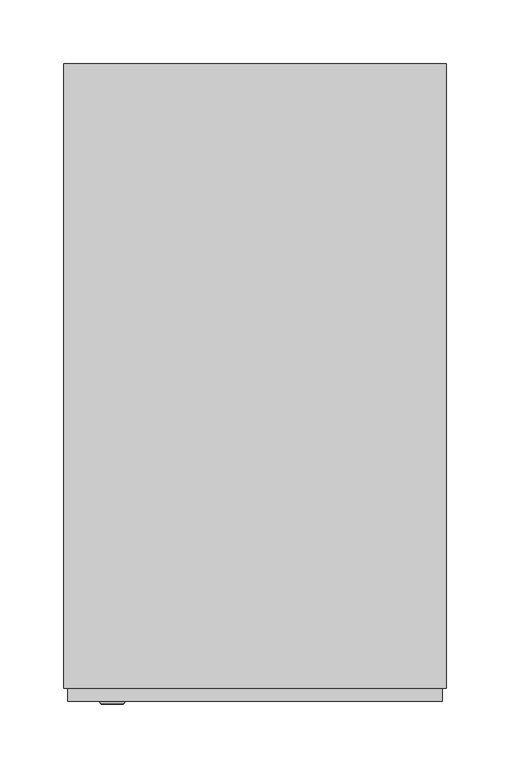
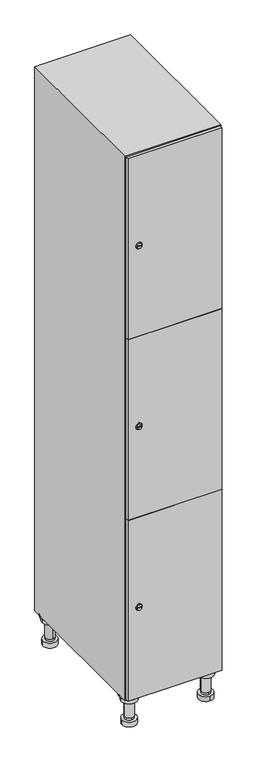
"""IFC4 building model written with IfcOpenShell, lengths in millimetres: furniture geometry."""

from ifc_helpers import new_model, si_unit, point, frame, frame_2d, origin, place, context, project, spatial, polyline, circle_curve, trimmed, segment, composite_curve, outline, extrude, faceted_brep, source, transform, mapped, element, save
from ifc_brep_helpers import plane_surface, cylinder_surface, revolved_surface, advanced_brep


def furniture_70ea9e6e(model_context):
    return source(origin(), model_context, "Body", "SolidModel", [
        advanced_brep(
        [(70.0, -201.0, 22.0), (70.0, -201.5, 16.0), (70.0, -228.5, 16.0), (70.0, -229.0, 22.0), (56.0, -215.0, 22.0), (84.0, -215.0, 22.0), (70.0, -192.5, 16.0), (70.0, -237.5, 16.0), (70.0, -192.5, 0.0), (70.0, -237.5, 0.0), (84.0, -215.0, 78.0), (56.0, -215.0, 78.0), (95.0, -215.0, 78.0), (45.0, -215.0, 78.0), (100.0, -215.0, 94.0), (40.0, -215.0, 94.0), (45.0, -215.0, 94.0), (95.0, -215.0, 94.0), (100.0, -215.0, 100.0), (40.0, -215.0, 100.0)],
        [
            (0, 1),
            (1, 2, circle_curve(frame((70.0, -215.0, 16.0), z_axis=(0.0, 0.0, 1.0), x_axis=(0.0, -1.0, 0.0)), 13.5)),
            (2, 3),
            (3, 4, circle_curve(frame((70.0, -215.0, 22.0), z_axis=(0.0, 0.0, -1.0), x_axis=(0.0, -1.0, 0.0)), 14.0)),
            (4, 0, circle_curve(frame((70.0, -215.0, 22.0), z_axis=(0.0, 0.0, -1.0), x_axis=(0.0, -1.0, 0.0)), 14.0)),
            (0, 5, circle_curve(frame((70.0, -215.0, 22.0), z_axis=(0.0, 0.0, -1.0), x_axis=(0.0, 1.0, 0.0)), 14.0)),
            (5, 3, circle_curve(frame((70.0, -215.0, 22.0), z_axis=(0.0, 0.0, -1.0), x_axis=(0.0, 1.0, 0.0)), 14.0)),
            (2, 1, circle_curve(frame((70.0, -215.0, 16.0), z_axis=(0.0, 0.0, 1.0), x_axis=(0.0, 1.0, 0.0)), 13.5)),
            (6, 7, circle_curve(frame((70.0, -215.0, 16.0), z_axis=(0.0, 0.0, 1.0), x_axis=(0.0, -1.0, 0.0)), 22.5)),
            (7, 6, circle_curve(frame((70.0, -215.0, 16.0), z_axis=(0.0, 0.0, 1.0), x_axis=(0.0, -1.0, 0.0)), 22.5)),
            (8, 9, circle_curve(frame((70.0, -215.0, 0.0), z_axis=(0.0, 0.0, -1.0), x_axis=(0.0, -1.0, 0.0)), 22.5)),
            (9, 8, circle_curve(frame((70.0, -215.0, 0.0), z_axis=(0.0, 0.0, -1.0), x_axis=(0.0, -1.0, 0.0)), 22.5)),
            (6, 8),
            (9, 7),
            (5, 10),
            (10, 11, circle_curve(frame((70.0, -215.0, 78.0), z_axis=(0.0, 0.0, -1.0), x_axis=(-1.0, 0.0, 0.0)), 14.0)),
            (11, 4),
            (11, 10, circle_curve(frame((70.0, -215.0, 78.0), z_axis=(0.0, 0.0, -1.0), x_axis=(-1.0, 0.0, 0.0)), 14.0)),
            (12, 13, circle_curve(frame((70.0, -215.0, 78.0), z_axis=(0.0, 0.0, -1.0), x_axis=(-1.0, 0.0, 0.0)), 25.0)),
            (13, 12, circle_curve(frame((70.0, -215.0, 78.0), z_axis=(0.0, 0.0, -1.0), x_axis=(-1.0, 0.0, 0.0)), 25.0)),
            (14, 15, circle_curve(frame((70.0, -215.0, 94.0), z_axis=(0.0, 0.0, -1.0), x_axis=(-1.0, 0.0, 0.0)), 30.0)),
            (15, 14, circle_curve(frame((70.0, -215.0, 94.0), z_axis=(0.0, 0.0, -1.0), x_axis=(-1.0, 0.0, 0.0)), 30.0)),
            (16, 17, circle_curve(frame((70.0, -215.0, 94.0), z_axis=(0.0, 0.0, 1.0), x_axis=(-1.0, 0.0, 0.0)), 25.0)),
            (17, 16, circle_curve(frame((70.0, -215.0, 94.0), z_axis=(0.0, 0.0, 1.0), x_axis=(-1.0, 0.0, 0.0)), 25.0)),
            (18, 19, circle_curve(frame((70.0, -215.0, 100.0), z_axis=(0.0, 0.0, 1.0), x_axis=(-1.0, 0.0, 0.0)), 30.0)),
            (19, 18, circle_curve(frame((70.0, -215.0, 100.0), z_axis=(0.0, 0.0, 1.0), x_axis=(-1.0, 0.0, 0.0)), 30.0)),
            (14, 18),
            (19, 15),
            (12, 17),
            (16, 13),
        ],
        [
            revolved_surface(polyline([(70.0, -201.5, 16.0), (70.0, -201.0, 22.0)]), (70.0, -215.0, -146.0), (0.0, 0.0, 1.0)),
            plane_surface(frame((70.0, 0.0, 16.0), z_axis=(0.0, 0.0, 1.0), x_axis=(0.0, -1.0, 0.0))),
            plane_surface(frame((70.0, 0.0, 0.0), z_axis=(0.0, 0.0, -1.0), x_axis=(0.0, -1.0, 0.0))),
            cylinder_surface(frame((70.0, -215.0, 16.0), z_axis=(0.0, 0.0, 1.0), x_axis=(0.0, -1.0, 0.0)), 22.5),
            cylinder_surface(frame((70.0, -215.0, 22.0), z_axis=(0.0, 0.0, -1.0), x_axis=(-1.0, 0.0, 0.0)), 14.0),
            plane_surface(frame((70.0, 0.0, 78.0), z_axis=(0.0, 0.0, -1.0), x_axis=(0.0, -1.0, 0.0))),
            plane_surface(frame((70.0, 0.0, 94.0), z_axis=(0.0, 0.0, -1.0), x_axis=(0.0, -1.0, 0.0))),
            plane_surface(frame((70.0, 0.0, 100.0), z_axis=(0.0, 0.0, 1.0), x_axis=(0.0, -1.0, 0.0))),
            cylinder_surface(frame((70.0, -215.0, 94.0), z_axis=(0.0, 0.0, -1.0), x_axis=(-1.0, 0.0, 0.0)), 30.0),
            cylinder_surface(frame((70.0, -215.0, 78.0), z_axis=(0.0, 0.0, -1.0), x_axis=(-1.0, 0.0, 0.0)), 25.0),
        ],
        [
            (0, [[1, 2, 3, 4, 5]]),
            (0, [[-1, 6, 7, -3, 8]]),
            (1, [[9, 10], [-2, -8]]),
            (2, [[11, 12]]),
            (3, [[-9, 13, -12, 14]]),
            (3, [[-10, -14, -11, -13]]),
            (4, [[15, 16, 17, -4, -7]]),
            (4, [[-15, -6, -5, -17, 18]]),
            (5, [[19, 20], [-16, -18]]),
            (6, [[21, 22], [23, 24]]),
            (7, [[25, 26]]),
            (8, [[-21, 27, -26, 28]]),
            (8, [[-22, -28, -25, -27]]),
            (9, [[-19, 29, -23, 30]]),
            (9, [[-20, -30, -24, -29]]),
        ],
    ),
        advanced_brep(
        [(-170.0, -201.0, 22.0), (-170.0, -201.5, 16.0), (-170.0, -228.5, 16.0), (-170.0, -229.0, 22.0), (-184.0, -215.0, 22.0), (-156.0, -215.0, 22.0), (-147.5, -215.0, 0.0), (-192.5, -215.0, 0.0), (-147.5, -215.0, 16.0), (-192.5, -215.0, 16.0), (-156.0, -215.0, 78.0), (-184.0, -215.0, 78.0), (-145.0, -215.0, 78.0), (-195.0, -215.0, 78.0), (-140.0, -215.0, 94.0), (-200.0, -215.0, 94.0), (-195.0, -215.0, 94.0), (-145.0, -215.0, 94.0), (-140.0, -215.0, 100.0), (-200.0, -215.0, 100.0)],
        [
            (0, 1),
            (1, 2, circle_curve(frame((-170.0, -215.0, 16.0), z_axis=(0.0, 0.0, 1.0), x_axis=(0.0, -1.0, 0.0)), 13.5)),
            (2, 3),
            (3, 4, circle_curve(frame((-170.0, -215.0, 22.0), z_axis=(0.0, 0.0, -1.0), x_axis=(0.0, -1.0, 0.0)), 14.0)),
            (4, 0, circle_curve(frame((-170.0, -215.0, 22.0), z_axis=(0.0, 0.0, -1.0), x_axis=(0.0, -1.0, 0.0)), 14.0)),
            (0, 5, circle_curve(frame((-170.0, -215.0, 22.0), z_axis=(0.0, 0.0, -1.0), x_axis=(0.0, 1.0, 0.0)), 14.0)),
            (5, 3, circle_curve(frame((-170.0, -215.0, 22.0), z_axis=(0.0, 0.0, -1.0), x_axis=(0.0, 1.0, 0.0)), 14.0)),
            (2, 1, circle_curve(frame((-170.0, -215.0, 16.0), z_axis=(0.0, 0.0, 1.0), x_axis=(0.0, 1.0, 0.0)), 13.5)),
            (6, 7, circle_curve(frame((-170.0, -215.0, 0.0), z_axis=(0.0, 0.0, -1.0), x_axis=(-1.0, 0.0, 0.0)), 22.5)),
            (7, 6, circle_curve(frame((-170.0, -215.0, 0.0), z_axis=(0.0, 0.0, -1.0), x_axis=(-1.0, 0.0, 0.0)), 22.5)),
            (8, 9, circle_curve(frame((-170.0, -215.0, 16.0), z_axis=(0.0, 0.0, 1.0), x_axis=(-1.0, 0.0, 0.0)), 22.5)),
            (9, 8, circle_curve(frame((-170.0, -215.0, 16.0), z_axis=(0.0, 0.0, 1.0), x_axis=(-1.0, 0.0, 0.0)), 22.5)),
            (6, 8),
            (9, 7),
            (5, 10),
            (10, 11, circle_curve(frame((-170.0, -215.0, 78.0), z_axis=(0.0, 0.0, -1.0), x_axis=(-1.0, 0.0, 0.0)), 14.0)),
            (11, 4),
            (11, 10, circle_curve(frame((-170.0, -215.0, 78.0), z_axis=(0.0, 0.0, -1.0), x_axis=(-1.0, 0.0, 0.0)), 14.0)),
            (12, 13, circle_curve(frame((-170.0, -215.0, 78.0), z_axis=(0.0, 0.0, -1.0), x_axis=(-1.0, 0.0, 0.0)), 25.0)),
            (13, 12, circle_curve(frame((-170.0, -215.0, 78.0), z_axis=(0.0, 0.0, -1.0), x_axis=(-1.0, 0.0, 0.0)), 25.0)),
            (14, 15, circle_curve(frame((-170.0, -215.0, 94.0), z_axis=(0.0, 0.0, -1.0), x_axis=(-1.0, 0.0, 0.0)), 30.0)),
            (15, 14, circle_curve(frame((-170.0, -215.0, 94.0), z_axis=(0.0, 0.0, -1.0), x_axis=(-1.0, 0.0, 0.0)), 30.0)),
            (16, 17, circle_curve(frame((-170.0, -215.0, 94.0), z_axis=(0.0, 0.0, 1.0), x_axis=(-1.0, 0.0, 0.0)), 25.0)),
            (17, 16, circle_curve(frame((-170.0, -215.0, 94.0), z_axis=(0.0, 0.0, 1.0), x_axis=(-1.0, 0.0, 0.0)), 25.0)),
            (18, 19, circle_curve(frame((-170.0, -215.0, 100.0), z_axis=(0.0, 0.0, 1.0), x_axis=(-1.0, 0.0, 0.0)), 30.0)),
            (19, 18, circle_curve(frame((-170.0, -215.0, 100.0), z_axis=(0.0, 0.0, 1.0), x_axis=(-1.0, 0.0, 0.0)), 30.0)),
            (14, 18),
            (19, 15),
            (12, 17),
            (16, 13),
        ],
        [
            revolved_surface(polyline([(-170.0, -201.5, 16.0), (-170.0, -201.0, 22.0)]), (-170.0, -215.0, -146.0), (0.0, 0.0, 1.0)),
            plane_surface(frame((-170.0, 0.0, 0.0), z_axis=(0.0, 0.0, -1.0), x_axis=(0.0, -1.0, 0.0))),
            plane_surface(frame((-170.0, 0.0, 16.0), z_axis=(0.0, 0.0, 1.0), x_axis=(0.0, -1.0, 0.0))),
            cylinder_surface(frame((-170.0, -215.0, 0.0), z_axis=(0.0, 0.0, -1.0), x_axis=(-1.0, 0.0, 0.0)), 22.5),
            cylinder_surface(frame((-170.0, -215.0, 22.0), z_axis=(0.0, 0.0, -1.0), x_axis=(-1.0, 0.0, 0.0)), 14.0),
            plane_surface(frame((-170.0, 0.0, 78.0), z_axis=(0.0, 0.0, -1.0), x_axis=(0.0, -1.0, 0.0))),
            plane_surface(frame((-170.0, 0.0, 94.0), z_axis=(0.0, 0.0, -1.0), x_axis=(0.0, -1.0, 0.0))),
            plane_surface(frame((-170.0, 0.0, 100.0), z_axis=(0.0, 0.0, 1.0), x_axis=(0.0, -1.0, 0.0))),
            cylinder_surface(frame((-170.0, -215.0, 94.0), z_axis=(0.0, 0.0, -1.0), x_axis=(-1.0, 0.0, 0.0)), 30.0),
            cylinder_surface(frame((-170.0, -215.0, 78.0), z_axis=(0.0, 0.0, -1.0), x_axis=(-1.0, 0.0, 0.0)), 25.0),
        ],
        [
            (0, [[1, 2, 3, 4, 5]]),
            (0, [[-1, 6, 7, -3, 8]]),
            (1, [[9, 10]]),
            (2, [[11, 12], [-2, -8]]),
            (3, [[-9, 13, -12, 14]]),
            (3, [[-10, -14, -11, -13]]),
            (4, [[15, 16, 17, -4, -7]]),
            (4, [[-15, -6, -5, -17, 18]]),
            (5, [[19, 20], [-16, -18]]),
            (6, [[21, 22], [23, 24]]),
            (7, [[25, 26]]),
            (8, [[-21, 27, -26, 28]]),
            (8, [[-22, -28, -25, -27]]),
            (9, [[-19, 29, -23, 30]]),
            (9, [[-20, -30, -24, -29]]),
        ],
    ),
        advanced_brep(
        [(83.5, 215.0, 16.0), (84.0, 215.0, 22.0), (56.0, 215.0, 22.0), (56.5, 215.0, 16.0), (92.5, 215.0, 0.0), (47.5, 215.0, 0.0), (92.5, 215.0, 16.0), (47.5, 215.0, 16.0), (84.0, 215.0, 78.0), (56.0, 215.0, 78.0), (95.0, 215.0, 78.0), (45.0, 215.0, 78.0), (100.0, 215.0, 94.0), (40.0, 215.0, 94.0), (45.0, 215.0, 94.0), (95.0, 215.0, 94.0), (100.0, 215.0, 100.0), (40.0, 215.0, 100.0)],
        [
            (0, 1),
            (1, 2, circle_curve(frame((70.0, 215.0, 22.0), z_axis=(0.0, 0.0, -1.0), x_axis=(-1.0, 0.0, 0.0)), 14.0)),
            (2, 3),
            (3, 0, circle_curve(frame((70.0, 215.0, 16.0), z_axis=(0.0, 0.0, 1.0), x_axis=(-1.0, 0.0, 0.0)), 13.5)),
            (0, 3, circle_curve(frame((70.0, 215.0, 16.0), z_axis=(0.0, 0.0, 1.0), x_axis=(1.0, 0.0, 0.0)), 13.5)),
            (2, 1, circle_curve(frame((70.0, 215.0, 22.0), z_axis=(0.0, 0.0, -1.0), x_axis=(1.0, 0.0, 0.0)), 14.0)),
            (4, 5, circle_curve(frame((70.0, 215.0, 0.0), z_axis=(0.0, 0.0, -1.0), x_axis=(-1.0, 0.0, 0.0)), 22.5)),
            (5, 4, circle_curve(frame((70.0, 215.0, 0.0), z_axis=(0.0, 0.0, -1.0), x_axis=(-1.0, 0.0, 0.0)), 22.5)),
            (6, 7, circle_curve(frame((70.0, 215.0, 16.0), z_axis=(0.0, 0.0, 1.0), x_axis=(-1.0, 0.0, 0.0)), 22.5)),
            (7, 6, circle_curve(frame((70.0, 215.0, 16.0), z_axis=(0.0, 0.0, 1.0), x_axis=(-1.0, 0.0, 0.0)), 22.5)),
            (4, 6),
            (7, 5),
            (1, 8),
            (8, 9, circle_curve(frame((70.0, 215.0, 78.0), z_axis=(0.0, 0.0, -1.0), x_axis=(-1.0, 0.0, 0.0)), 14.0)),
            (9, 2),
            (9, 8, circle_curve(frame((70.0, 215.0, 78.0), z_axis=(0.0, 0.0, -1.0), x_axis=(-1.0, 0.0, 0.0)), 14.0)),
            (10, 11, circle_curve(frame((70.0, 215.0, 78.0), z_axis=(0.0, 0.0, -1.0), x_axis=(-1.0, 0.0, 0.0)), 25.0)),
            (11, 10, circle_curve(frame((70.0, 215.0, 78.0), z_axis=(0.0, 0.0, -1.0), x_axis=(-1.0, 0.0, 0.0)), 25.0)),
            (12, 13, circle_curve(frame((70.0, 215.0, 94.0), z_axis=(0.0, 0.0, -1.0), x_axis=(-1.0, 0.0, 0.0)), 30.0)),
            (13, 12, circle_curve(frame((70.0, 215.0, 94.0), z_axis=(0.0, 0.0, -1.0), x_axis=(-1.0, 0.0, 0.0)), 30.0)),
            (14, 15, circle_curve(frame((70.0, 215.0, 94.0), z_axis=(0.0, 0.0, 1.0), x_axis=(-1.0, 0.0, 0.0)), 25.0)),
            (15, 14, circle_curve(frame((70.0, 215.0, 94.0), z_axis=(0.0, 0.0, 1.0), x_axis=(-1.0, 0.0, 0.0)), 25.0)),
            (16, 17, circle_curve(frame((70.0, 215.0, 100.0), z_axis=(0.0, 0.0, 1.0), x_axis=(-1.0, 0.0, 0.0)), 30.0)),
            (17, 16, circle_curve(frame((70.0, 215.0, 100.0), z_axis=(0.0, 0.0, 1.0), x_axis=(-1.0, 0.0, 0.0)), 30.0)),
            (12, 16),
            (17, 13),
            (10, 15),
            (14, 11),
        ],
        [
            revolved_surface(polyline([(83.5, 215.0, 16.0), (84.0, 215.0, 22.0)]), (70.0, 215.0, -146.0), (0.0, 0.0, 1.0)),
            plane_surface(frame((70.0, 0.0, 0.0), z_axis=(0.0, 0.0, -1.0), x_axis=(0.0, -1.0, 0.0))),
            plane_surface(frame((70.0, 0.0, 16.0), z_axis=(0.0, 0.0, 1.0), x_axis=(0.0, -1.0, 0.0))),
            cylinder_surface(frame((70.0, 215.0, 0.0), z_axis=(0.0, 0.0, -1.0), x_axis=(-1.0, 0.0, 0.0)), 22.5),
            cylinder_surface(frame((70.0, 215.0, 22.0), z_axis=(0.0, 0.0, -1.0), x_axis=(-1.0, 0.0, 0.0)), 14.0),
            plane_surface(frame((70.0, 0.0, 78.0), z_axis=(0.0, 0.0, -1.0), x_axis=(0.0, -1.0, 0.0))),
            plane_surface(frame((70.0, 0.0, 94.0), z_axis=(0.0, 0.0, -1.0), x_axis=(0.0, -1.0, 0.0))),
            plane_surface(frame((70.0, 0.0, 100.0), z_axis=(0.0, 0.0, 1.0), x_axis=(0.0, -1.0, 0.0))),
            cylinder_surface(frame((70.0, 215.0, 94.0), z_axis=(0.0, 0.0, -1.0), x_axis=(-1.0, 0.0, 0.0)), 30.0),
            cylinder_surface(frame((70.0, 215.0, 78.0), z_axis=(0.0, 0.0, -1.0), x_axis=(-1.0, 0.0, 0.0)), 25.0),
        ],
        [
            (0, [[1, 2, 3, 4]]),
            (0, [[-1, 5, -3, 6]]),
            (1, [[7, 8]]),
            (2, [[9, 10], [-4, -5]]),
            (3, [[-7, 11, -10, 12]]),
            (3, [[-8, -12, -9, -11]]),
            (4, [[13, 14, 15, -2]]),
            (4, [[-13, -6, -15, 16]]),
            (5, [[17, 18], [-14, -16]]),
            (6, [[19, 20], [21, 22]]),
            (7, [[23, 24]]),
            (8, [[-19, 25, -24, 26]]),
            (8, [[-20, -26, -23, -25]]),
            (9, [[-17, 27, -21, 28]]),
            (9, [[-18, -28, -22, -27]]),
        ],
    ),
        advanced_brep(
        [(-156.5, 215.0, 16.0), (-156.0, 215.0, 22.0), (-170.0, 201.0, 22.0), (-184.0, 215.0, 22.0), (-183.5, 215.0, 16.0), (-170.0, 229.0, 22.0), (-147.5, 215.0, 0.0), (-192.5, 215.0, 0.0), (-147.5, 215.0, 16.0), (-192.5, 215.0, 16.0), (-170.0, 229.0, 78.0), (-170.0, 201.0, 78.0), (-145.0, 215.0, 78.0), (-195.0, 215.0, 78.0), (-140.0, 215.0, 94.0), (-200.0, 215.0, 94.0), (-195.0, 215.0, 94.0), (-145.0, 215.0, 94.0), (-140.0, 215.0, 100.0), (-200.0, 215.0, 100.0)],
        [
            (0, 1),
            (1, 2, circle_curve(frame((-170.0, 215.0, 22.0), z_axis=(0.0, 0.0, -1.0), x_axis=(-1.0, 0.0, 0.0)), 14.0)),
            (2, 3, circle_curve(frame((-170.0, 215.0, 22.0), z_axis=(0.0, 0.0, -1.0), x_axis=(-1.0, 0.0, 0.0)), 14.0)),
            (3, 4),
            (4, 0, circle_curve(frame((-170.0, 215.0, 16.0), z_axis=(0.0, 0.0, 1.0), x_axis=(-1.0, 0.0, 0.0)), 13.5)),
            (0, 4, circle_curve(frame((-170.0, 215.0, 16.0), z_axis=(0.0, 0.0, 1.0), x_axis=(1.0, 0.0, 0.0)), 13.5)),
            (3, 5, circle_curve(frame((-170.0, 215.0, 22.0), z_axis=(0.0, 0.0, -1.0), x_axis=(1.0, 0.0, 0.0)), 14.0)),
            (5, 1, circle_curve(frame((-170.0, 215.0, 22.0), z_axis=(0.0, 0.0, -1.0), x_axis=(1.0, 0.0, 0.0)), 14.0)),
            (6, 7, circle_curve(frame((-170.0, 215.0, 0.0), z_axis=(0.0, 0.0, -1.0), x_axis=(-1.0, 0.0, 0.0)), 22.5)),
            (7, 6, circle_curve(frame((-170.0, 215.0, 0.0), z_axis=(0.0, 0.0, -1.0), x_axis=(-1.0, 0.0, 0.0)), 22.5)),
            (8, 9, circle_curve(frame((-170.0, 215.0, 16.0), z_axis=(0.0, 0.0, 1.0), x_axis=(-1.0, 0.0, 0.0)), 22.5)),
            (9, 8, circle_curve(frame((-170.0, 215.0, 16.0), z_axis=(0.0, 0.0, 1.0), x_axis=(-1.0, 0.0, 0.0)), 22.5)),
            (6, 8),
            (9, 7),
            (10, 5),
            (2, 11),
            (11, 10, circle_curve(frame((-170.0, 215.0, 78.0), z_axis=(0.0, 0.0, -1.0), x_axis=(0.0, -1.0, 0.0)), 14.0)),
            (10, 11, circle_curve(frame((-170.0, 215.0, 78.0), z_axis=(0.0, 0.0, -1.0), x_axis=(0.0, -1.0, 0.0)), 14.0)),
            (12, 13, circle_curve(frame((-170.0, 215.0, 78.0), z_axis=(0.0, 0.0, -1.0), x_axis=(-1.0, 0.0, 0.0)), 25.0)),
            (13, 12, circle_curve(frame((-170.0, 215.0, 78.0), z_axis=(0.0, 0.0, -1.0), x_axis=(-1.0, 0.0, 0.0)), 25.0)),
            (14, 15, circle_curve(frame((-170.0, 215.0, 94.0), z_axis=(0.0, 0.0, -1.0), x_axis=(-1.0, 0.0, 0.0)), 30.0)),
            (15, 14, circle_curve(frame((-170.0, 215.0, 94.0), z_axis=(0.0, 0.0, -1.0), x_axis=(-1.0, 0.0, 0.0)), 30.0)),
            (16, 17, circle_curve(frame((-170.0, 215.0, 94.0), z_axis=(0.0, 0.0, 1.0), x_axis=(-1.0, 0.0, 0.0)), 25.0)),
            (17, 16, circle_curve(frame((-170.0, 215.0, 94.0), z_axis=(0.0, 0.0, 1.0), x_axis=(-1.0, 0.0, 0.0)), 25.0)),
            (18, 19, circle_curve(frame((-170.0, 215.0, 100.0), z_axis=(0.0, 0.0, 1.0), x_axis=(-1.0, 0.0, 0.0)), 30.0)),
            (19, 18, circle_curve(frame((-170.0, 215.0, 100.0), z_axis=(0.0, 0.0, 1.0), x_axis=(-1.0, 0.0, 0.0)), 30.0)),
            (14, 18),
            (19, 15),
            (12, 17),
            (16, 13),
        ],
        [
            revolved_surface(polyline([(-156.5, 215.0, 16.0), (-156.0, 215.0, 22.0)]), (-170.0, 215.0, -146.0), (0.0, 0.0, 1.0)),
            plane_surface(frame((-170.0, 0.0, 0.0), z_axis=(0.0, 0.0, -1.0), x_axis=(0.0, -1.0, 0.0))),
            plane_surface(frame((-170.0, 0.0, 16.0), z_axis=(0.0, 0.0, 1.0), x_axis=(0.0, -1.0, 0.0))),
            cylinder_surface(frame((-170.0, 215.0, 0.0), z_axis=(0.0, 0.0, -1.0), x_axis=(-1.0, 0.0, 0.0)), 22.5),
            cylinder_surface(frame((-170.0, 215.0, 78.0), z_axis=(0.0, 0.0, 1.0), x_axis=(0.0, -1.0, 0.0)), 14.0),
            plane_surface(frame((-170.0, 0.0, 78.0), z_axis=(0.0, 0.0, -1.0), x_axis=(0.0, -1.0, 0.0))),
            plane_surface(frame((-170.0, 0.0, 94.0), z_axis=(0.0, 0.0, -1.0), x_axis=(0.0, -1.0, 0.0))),
            plane_surface(frame((-170.0, 0.0, 100.0), z_axis=(0.0, 0.0, 1.0), x_axis=(0.0, -1.0, 0.0))),
            cylinder_surface(frame((-170.0, 215.0, 94.0), z_axis=(0.0, 0.0, -1.0), x_axis=(-1.0, 0.0, 0.0)), 30.0),
            cylinder_surface(frame((-170.0, 215.0, 78.0), z_axis=(0.0, 0.0, -1.0), x_axis=(-1.0, 0.0, 0.0)), 25.0),
        ],
        [
            (0, [[1, 2, 3, 4, 5]]),
            (0, [[-1, 6, -4, 7, 8]]),
            (1, [[9, 10]]),
            (2, [[11, 12], [-5, -6]]),
            (3, [[-9, 13, -12, 14]]),
            (3, [[-10, -14, -11, -13]]),
            (4, [[15, -7, -3, 16, 17]]),
            (4, [[-15, 18, -16, -2, -8]]),
            (5, [[19, 20], [-17, -18]]),
            (6, [[21, 22], [23, 24]]),
            (7, [[25, 26]]),
            (8, [[-21, 27, -26, 28]]),
            (8, [[-22, -28, -25, -27]]),
            (9, [[-19, 29, -23, 30]]),
            (9, [[-20, -30, -24, -29]]),
        ],
    ),
        extrude(outline(composite_curve([segment(trimmed(circle_curve(frame_2d((402.0, -188.7989466)), 7.0), [point((409.0, -188.7989466))], [point((395.0, -188.7989466))], False, "CARTESIAN"), True, "CONTINUOUS"), segment(polyline([(395.0, -188.7989466), (395.0, -160.7989466)]), True, "CONTINUOUS"), segment(trimmed(circle_curve(frame_2d((402.0, -160.7989466)), 7.0), [point((395.0, -160.7989466))], [point((409.0, -160.7989466))], False, "CARTESIAN"), True, "CONTINUOUS"), segment(polyline([(409.0, -160.7989466), (409.0, -188.7989466)]), True, "CONTINUOUS")], self_intersect=False)), frame((0.0, -245.0, 0.0), z_axis=(0.0, 1.0, 0.0), x_axis=(0.0, 0.0, 1.0)), (0.0, 0.0, 1.0), 2.0),
        advanced_brep(
        [(-153.5, -257.2, 402.0), (-170.5, -257.2, 402.0), (-167.0, -257.2, 400.75), (-167.0, -257.2, 403.25), (-157.0, -257.2, 403.25), (-157.0, -257.2, 400.75), (-151.5, -255.0, 402.0), (-172.5, -255.0, 402.0), (-167.0, -255.0, 403.25), (-167.0, -255.0, 400.75), (-157.0, -255.0, 400.75), (-157.0, -255.0, 403.25)],
        [
            (0, 1, circle_curve(frame((-162.0, -257.2, 402.0), z_axis=(0.0, -1.0, 0.0), x_axis=(1.0, 0.0, 0.0)), 8.5)),
            (1, 0, circle_curve(frame((-162.0, -257.2, 402.0), z_axis=(0.0, -1.0, 0.0), x_axis=(-1.0, 0.0, 0.0)), 8.5)),
            (2, 3),
            (3, 4),
            (4, 5),
            (5, 2),
            (6, 7, circle_curve(frame((-162.0, -255.0, 402.0), z_axis=(0.0, 1.0, 0.0), x_axis=(-1.0, 0.0, 0.0)), 10.5)),
            (7, 6, circle_curve(frame((-162.0, -255.0, 402.0), z_axis=(0.0, 1.0, 0.0), x_axis=(1.0, 0.0, 0.0)), 10.5)),
            (8, 9),
            (9, 10),
            (10, 11),
            (11, 8),
            (0, 6),
            (7, 1),
            (8, 3),
            (2, 9),
            (11, 4),
            (10, 5),
        ],
        [
            plane_surface(frame((-162.0, -257.2, 402.0), z_axis=(0.0, -1.0, 0.0), x_axis=(0.0, 0.0, 1.0))),
            plane_surface(frame((-162.0, -255.0, 402.0), z_axis=(0.0, 1.0, 0.0), x_axis=(0.0, 0.0, 1.0))),
            revolved_surface(polyline([(-153.5, -257.2, 402.0), (-151.5, -255.0, 402.0)]), (-162.0, -266.55, 402.0), (0.0, 1.0, 0.0)),
            revolved_surface(polyline([(-170.5, -257.2, 402.0), (-172.5, -255.0, 402.0)]), (-162.0, -266.55, 402.0), (0.0, 1.0, 0.0)),
            plane_surface(frame((-167.0, -255.0, 400.75), z_axis=(1.0, 0.0, 0.0), x_axis=(0.0, -1.0, 0.0))),
            plane_surface(frame((-167.0, -255.0, 403.25), z_axis=(0.0, 0.0, -1.0), x_axis=(0.0, -1.0, 0.0))),
            plane_surface(frame((-157.0, -255.0, 403.25), z_axis=(-1.0, 0.0, 0.0), x_axis=(0.0, -1.0, 0.0))),
            plane_surface(frame((-157.0, -255.0, 400.75), z_axis=(0.0, 0.0, 1.0), x_axis=(0.0, -1.0, 0.0))),
        ],
        [
            (0, [[1, 2], [3, 4, 5, 6]]),
            (1, [[7, 8], [9, 10, 11, 12]]),
            (2, [[-1, 13, -8, 14]]),
            (3, [[-2, -14, -7, -13]]),
            (4, [[15, -3, 16, -9]]),
            (5, [[-15, -12, 17, -4]]),
            (6, [[-17, -11, 18, -5]]),
            (7, [[-16, -6, -18, -10]]),
        ],
    ),
        extrude(outline(composite_curve([segment(trimmed(circle_curve(frame_2d((1000.0, -188.7989466)), 7.0), [point((1007.0, -188.7989466))], [point((993.0, -188.7989466))], False, "CARTESIAN"), True, "CONTINUOUS"), segment(polyline([(993.0, -188.7989466), (993.0, -160.7989466)]), True, "CONTINUOUS"), segment(trimmed(circle_curve(frame_2d((1000.0, -160.7989466)), 7.0), [point((993.0, -160.7989466))], [point((1007.0, -160.7989466))], False, "CARTESIAN"), True, "CONTINUOUS"), segment(polyline([(1007.0, -160.7989466), (1007.0, -188.7989466)]), True, "CONTINUOUS")], self_intersect=False)), frame((0.0, -245.0, 0.0), z_axis=(0.0, 1.0, 0.0), x_axis=(0.0, 0.0, 1.0)), (0.0, 0.0, 1.0), 2.0),
        advanced_brep(
        [(-153.5, -257.2, 1000.0), (-170.5, -257.2, 1000.0), (-167.0, -257.2, 998.75), (-167.0, -257.2, 1001.25), (-157.0, -257.2, 1001.25), (-157.0, -257.2, 998.75), (-151.5, -255.0, 1000.0), (-172.5, -255.0, 1000.0), (-167.0, -255.0, 1001.25), (-167.0, -255.0, 998.75), (-157.0, -255.0, 998.75), (-157.0, -255.0, 1001.25)],
        [
            (0, 1, circle_curve(frame((-162.0, -257.2, 1000.0), z_axis=(0.0, -1.0, 0.0), x_axis=(1.0, 0.0, 0.0)), 8.5)),
            (1, 0, circle_curve(frame((-162.0, -257.2, 1000.0), z_axis=(0.0, -1.0, 0.0), x_axis=(-1.0, 0.0, 0.0)), 8.5)),
            (2, 3),
            (3, 4),
            (4, 5),
            (5, 2),
            (6, 7, circle_curve(frame((-162.0, -255.0, 1000.0), z_axis=(0.0, 1.0, 0.0), x_axis=(-1.0, 0.0, 0.0)), 10.5)),
            (7, 6, circle_curve(frame((-162.0, -255.0, 1000.0), z_axis=(0.0, 1.0, 0.0), x_axis=(1.0, 0.0, 0.0)), 10.5)),
            (8, 9),
            (9, 10),
            (10, 11),
            (11, 8),
            (0, 6),
            (7, 1),
            (8, 3),
            (2, 9),
            (11, 4),
            (10, 5),
        ],
        [
            plane_surface(frame((-162.0, -257.2, 1000.0), z_axis=(0.0, -1.0, 0.0), x_axis=(0.0, 0.0, 1.0))),
            plane_surface(frame((-162.0, -255.0, 1000.0), z_axis=(0.0, 1.0, 0.0), x_axis=(0.0, 0.0, 1.0))),
            revolved_surface(polyline([(-153.5, -257.2, 1000.0), (-151.5, -255.0, 1000.0)]), (-162.0, -266.55, 1000.0), (0.0, 1.0, 0.0)),
            revolved_surface(polyline([(-170.5, -257.2, 1000.0), (-172.5, -255.0, 1000.0)]), (-162.0, -266.55, 1000.0), (0.0, 1.0, 0.0)),
            plane_surface(frame((-167.0, -255.0, 998.75), z_axis=(1.0, 0.0, 0.0), x_axis=(0.0, -1.0, 0.0))),
            plane_surface(frame((-167.0, -255.0, 1001.25), z_axis=(0.0, 0.0, -1.0), x_axis=(0.0, -1.0, 0.0))),
            plane_surface(frame((-157.0, -255.0, 1001.25), z_axis=(-1.0, 0.0, 0.0), x_axis=(0.0, -1.0, 0.0))),
            plane_surface(frame((-157.0, -255.0, 998.75), z_axis=(0.0, 0.0, 1.0), x_axis=(0.0, -1.0, 0.0))),
        ],
        [
            (0, [[1, 2], [3, 4, 5, 6]]),
            (1, [[7, 8], [9, 10, 11, 12]]),
            (2, [[-1, 13, -8, 14]]),
            (3, [[-2, -14, -7, -13]]),
            (4, [[15, -3, 16, -9]]),
            (5, [[-15, -12, 17, -4]]),
            (6, [[-17, -11, 18, -5]]),
            (7, [[-16, -6, -18, -10]]),
        ],
    ),
        extrude(outline(composite_curve([segment(trimmed(circle_curve(frame_2d((1598.0, -188.7989466)), 7.0), [point((1605.0, -188.7989466))], [point((1591.0, -188.7989466))], False, "CARTESIAN"), True, "CONTINUOUS"), segment(polyline([(1591.0, -188.7989466), (1591.0, -160.7989466)]), True, "CONTINUOUS"), segment(trimmed(circle_curve(frame_2d((1598.0, -160.7989466)), 7.0), [point((1591.0, -160.7989466))], [point((1605.0, -160.7989466))], False, "CARTESIAN"), True, "CONTINUOUS"), segment(polyline([(1605.0, -160.7989466), (1605.0, -188.7989466)]), True, "CONTINUOUS")], self_intersect=False)), frame((0.0, -245.0, 0.0), z_axis=(0.0, 1.0, 0.0), x_axis=(0.0, 0.0, 1.0)), (0.0, 0.0, 1.0), 2.0),
        advanced_brep(
        [(-153.5, -257.2, 1598.0), (-170.5, -257.2, 1598.0), (-167.0, -257.2, 1596.75), (-167.0, -257.2, 1599.25), (-157.0, -257.2, 1599.25), (-157.0, -257.2, 1596.75), (-151.5, -255.0, 1598.0), (-172.5, -255.0, 1598.0), (-167.0, -255.0, 1599.25), (-167.0, -255.0, 1596.75), (-157.0, -255.0, 1596.75), (-157.0, -255.0, 1599.25)],
        [
            (0, 1, circle_curve(frame((-162.0, -257.2, 1598.0), z_axis=(0.0, -1.0, 0.0), x_axis=(1.0, 0.0, 0.0)), 8.5)),
            (1, 0, circle_curve(frame((-162.0, -257.2, 1598.0), z_axis=(0.0, -1.0, 0.0), x_axis=(-1.0, 0.0, 0.0)), 8.5)),
            (2, 3),
            (3, 4),
            (4, 5),
            (5, 2),
            (6, 7, circle_curve(frame((-162.0, -255.0, 1598.0), z_axis=(0.0, 1.0, 0.0), x_axis=(-1.0, 0.0, 0.0)), 10.5)),
            (7, 6, circle_curve(frame((-162.0, -255.0, 1598.0), z_axis=(0.0, 1.0, 0.0), x_axis=(1.0, 0.0, 0.0)), 10.5)),
            (8, 9),
            (9, 10),
            (10, 11),
            (11, 8),
            (0, 6),
            (7, 1),
            (8, 3),
            (2, 9),
            (11, 4),
            (10, 5),
        ],
        [
            plane_surface(frame((-162.0, -257.2, 1598.0), z_axis=(0.0, -1.0, 0.0), x_axis=(0.0, 0.0, 1.0))),
            plane_surface(frame((-162.0, -255.0, 1598.0), z_axis=(0.0, 1.0, 0.0), x_axis=(0.0, 0.0, 1.0))),
            revolved_surface(polyline([(-153.5, -257.2, 1598.0), (-151.5, -255.0, 1598.0)]), (-162.0, -266.55, 1598.0), (0.0, 1.0, 0.0)),
            revolved_surface(polyline([(-170.5, -257.2, 1598.0), (-172.5, -255.0, 1598.0)]), (-162.0, -266.55, 1598.0), (0.0, 1.0, 0.0)),
            plane_surface(frame((-167.0, -255.0, 1596.75), z_axis=(1.0, 0.0, 0.0), x_axis=(0.0, -1.0, 0.0))),
            plane_surface(frame((-167.0, -255.0, 1599.25), z_axis=(0.0, 0.0, -1.0), x_axis=(0.0, -1.0, 0.0))),
            plane_surface(frame((-157.0, -255.0, 1599.25), z_axis=(-1.0, 0.0, 0.0), x_axis=(0.0, -1.0, 0.0))),
            plane_surface(frame((-157.0, -255.0, 1596.75), z_axis=(0.0, 0.0, 1.0), x_axis=(0.0, -1.0, 0.0))),
        ],
        [
            (0, [[1, 2], [3, 4, 5, 6]]),
            (1, [[7, 8], [9, 10, 11, 12]]),
            (2, [[-1, 13, -8, 14]]),
            (3, [[-2, -14, -7, -13]]),
            (4, [[15, -3, 16, -9]]),
            (5, [[-15, -12, 17, -4]]),
            (6, [[-17, -11, 18, -5]]),
            (7, [[-16, -6, -18, -10]]),
        ],
    ),
        extrude(outline(polyline([(97.0, -245.0), (97.0, -255.0), (-197.0, -255.0), (-197.0, -245.0), (97.0, -245.0)])), frame((0.0, 0.0, 701.5), z_axis=(0.0, 0.0, 1.0), x_axis=(1.0, 0.0, 0.0)), (0.0, 0.0, 1.0), 597.0),
        extrude(outline(polyline([(-197.0, -255.0), (-197.0, -245.0), (97.0, -245.0), (97.0, -255.0), (-197.0, -255.0)])), frame((0.0, 0.0, 1299.5), z_axis=(0.0, 0.0, 1.0), x_axis=(1.0, 0.0, 0.0)), (0.0, 0.0, 1.0), 597.5),
        extrude(outline(polyline([(97.0, -245.0), (97.0, -255.0), (-197.0, -255.0), (-197.0, -245.0), (97.0, -245.0)])), frame((0.0, 0.0, 103.0), z_axis=(0.0, 0.0, 1.0), x_axis=(1.0, 0.0, 0.0)), (0.0, 0.0, 1.0), 597.5),
        extrude(outline(polyline([(90.0, 241.0), (90.0, -235.0), (-190.0, -235.0), (-190.0, 241.0), (90.0, 241.0)])), frame((0.0, 0.0, 1291.6666667), z_axis=(0.0, 0.0, 1.0), x_axis=(1.0, 0.0, 0.0)), (0.0, 0.0, 1.0), 10.0),
        extrude(outline(polyline([(-190.0, 241.0), (90.0, 241.0), (90.0, -235.0), (-190.0, -235.0), (-190.0, 241.0)])), frame((0.0, 0.0, 698.3333333), z_axis=(0.0, 0.0, 1.0), x_axis=(1.0, 0.0, 0.0)), (0.0, 0.0, 1.0), 10.0),
        faceted_brep([(100.0, -245.0, 100.0), (100.0, -245.0, 1900.0), (-200.0, -245.0, 1900.0), (-200.0, -245.0, 100.0), (90.0, -245.0, 1890.0), (90.0, -245.0, 110.0), (-190.0, -245.0, 110.0), (-190.0, -245.0, 1890.0), (100.0, 245.0, 100.0), (-200.0, 245.0, 100.0), (100.0, 245.0, 1900.0), (-200.0, 245.0, 1900.0), (90.0, 241.0, 1890.0), (90.0, 241.0, 110.0), (-200.0, 245.0, 1890.0), (-190.0, 241.0, 1890.0), (-190.0, 241.0, 110.0)], [[[0, 1, 2, 3], [4, 5, 6, 7]], [[8, 0, 3, 9]], [[1, 0, 8, 10]], [[1, 10, 11, 2]], [[4, 12, 13, 5]], [[9, 3, 2, 11, 14]], [[10, 8, 9, 14, 11]], [[12, 15, 16, 13]], [[15, 7, 6, 16]], [[4, 7, 15, 12]], [[6, 5, 13, 16]]]),
    ])


if __name__ == "__main__":
    model = new_model("IFC4")
    model_context = context("Model", 3, world=origin())
    ifc_project = project(units=[si_unit("LENGTHUNIT", "METRE", prefix="MILLI")], contexts=[model_context])
    site = spatial("IfcSite", under=ifc_project)
    building = spatial("IfcBuilding", under=site)
    placement = place(None, origin())
    furniture_shape = furniture_70ea9e6e(model_context)
    element("IfcFurniture", 1, at=placement, inside=building, context=model_context, shape_type="MappedRepresentation", body=[
        mapped(furniture_shape, transform((0.0, 0.0, 0.0), x_axis=(1.0, 0.0, 0.0), y_axis=(0.0, 1.0, 0.0), z_axis=(0.0, 0.0, 1.0))),
    ])
    save(model, "model.ifc")
